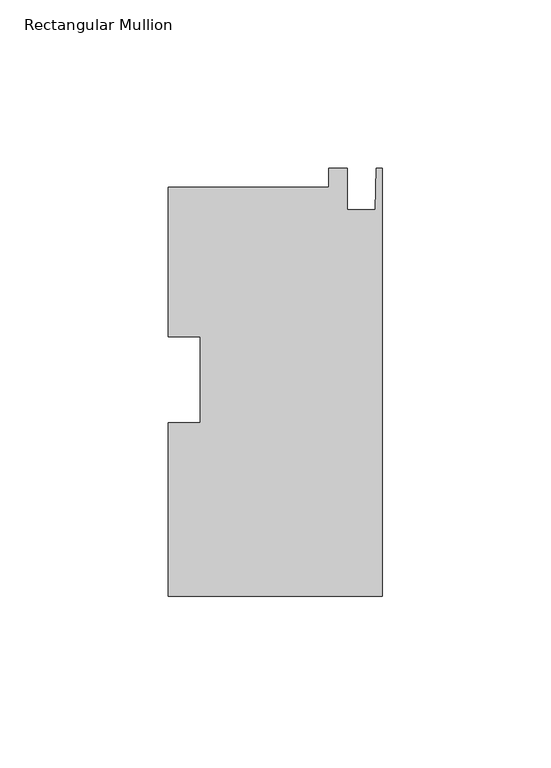
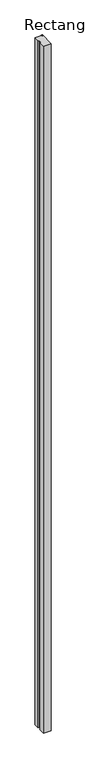
"""IFC4 building model written with IfcOpenShell, lengths in millimetres: member geometry, Rectangular Mullion."""

import ifcopenshell
import ifcopenshell.guid

model = None  # the IFC model being written
_history = None  # IfcOwnerHistory: only IFC2X3 demands one
_inside = {}  # id of a spatial element -> (the spatial element, [elements in it])
_under = {}  # id of a project, library or spatial element -> (it, [spatial elements below it])
_declared = {}  # id of a project -> (the project, [libraries it declares])
_typed = {}  # id of a type object -> (the type object, [elements of that type])
_made_of = {}  # id of a material, layer set ... -> (it, [elements and type objects made of it])


def new_model(schema):
    """Start an empty IFC model of exactly this schema.

    Asked for "IFC4X3", IfcOpenShell would pick the latest addendum, in which some entities
    have other attributes; the version numbers below select the first issue.
    IFC2X3 requires an IfcOwnerHistory on every rooted entity: one is made here for all.
    """
    global model, _history
    if schema == "IFC4X3":
        model = ifcopenshell.file(schema_version=(4, 3, 0, 0))
    else:
        model = ifcopenshell.file(schema=schema)
    _inside.clear()
    _under.clear()
    _declared.clear()
    _typed.clear()
    _made_of.clear()
    _history = None
    if model.schema == "IFC2X3":
        org = make("IfcOrganization", Name="unknown")
        user = make(
            "IfcPersonAndOrganization",
            ThePerson=make("IfcPerson", FamilyName="unknown"),
            TheOrganization=org,
        )
        app = make(
            "IfcApplication",
            ApplicationDeveloper=org,
            Version="unknown",
            ApplicationFullName="unknown",
            ApplicationIdentifier="unknown",
        )
        _history = make(
            "IfcOwnerHistory",
            OwningUser=user,
            OwningApplication=app,
            ChangeAction="ADDED",
            CreationDate=0,
        )
    return model


def make(cls, **values):
    """One entity of the class cls with the attributes given. An attribute that is None is left unset."""
    return model.create_entity(
        cls, **{name: value for name, value in values.items() if value is not None}
    )


def rooted(cls, **values):
    """An entity with a GlobalId (a new one), such as an element, a storey or a relation."""
    return make(cls, GlobalId=ifcopenshell.guid.new(), OwnerHistory=_history, **values)


def si_unit(unit_type, name, prefix=None):
    """IfcSIUnit, for example si_unit("LENGTHUNIT", "METRE", prefix="MILLI")."""
    return make("IfcSIUnit", UnitType=unit_type, Prefix=prefix, Name=name)


def assignment(units):
    """IfcUnitAssignment: the units of a project."""
    return None if units is None else make("IfcUnitAssignment", Units=units)


def point(xyz):
    """IfcCartesianPoint."""
    return None if xyz is None else make("IfcCartesianPoint", Coordinates=xyz)


def direction(xyz):
    """IfcDirection."""
    return None if xyz is None else make("IfcDirection", DirectionRatios=xyz)


def frame(location, z_axis=None, x_axis=None):
    """IfcAxis2Placement3D, a coordinate frame: its origin and axes. An axis left out is left unset."""
    return make(
        "IfcAxis2Placement3D",
        Location=point(location),
        Axis=direction(z_axis),
        RefDirection=direction(x_axis),
    )


def origin():
    """The frame at (0, 0, 0) with its axes left unset."""
    return frame((0.0, 0.0, 0.0))


def place(relative_to, where):
    """IfcLocalPlacement: puts the frame where relative to a parent placement (None: the world)."""
    return make(
        "IfcLocalPlacement", PlacementRelTo=relative_to, RelativePlacement=where
    )


def context(
    kind, dimensions, precision=None, world=None, true_north=None, identifier=None
):
    """IfcGeometricRepresentationContext, for example the 3D "Model" context."""
    return make(
        "IfcGeometricRepresentationContext",
        ContextIdentifier=identifier,
        ContextType=kind,
        CoordinateSpaceDimension=dimensions,
        Precision=precision,
        WorldCoordinateSystem=world,
        TrueNorth=true_north,
    )


def project(units=None, contexts=None):
    """IfcProject with its units and contexts."""
    return rooted(
        "IfcProject",
        Name="project",
        RepresentationContexts=contexts,
        UnitsInContext=assignment(units),
    )


def spatial(cls, under=None, at=None, **own):
    """A site, building, storey or space (cls), placed at a placement, below another one or the project."""
    s = rooted(cls, ObjectPlacement=at, **own)
    if under is not None:
        _under.setdefault(under.id(), (under, []))[1].append(s)
    return s


def polyline(points):
    """IfcPolyline through the points."""
    return make("IfcPolyline", Points=[point(p) for p in points])


def outline(outer, holes=None, kind="AREA"):
    """IfcArbitraryClosedProfileDef: a profile drawn as a closed curve; with holes, ...WithVoids."""
    if holes is None:
        return make("IfcArbitraryClosedProfileDef", ProfileType=kind, OuterCurve=outer)
    return make(
        "IfcArbitraryProfileDefWithVoids",
        ProfileType=kind,
        OuterCurve=outer,
        InnerCurves=holes,
    )


def extrude(swept, where, along, depth):
    """IfcExtrudedAreaSolid: the profile swept, set in the frame where, extruded along a direction by depth."""
    return make(
        "IfcExtrudedAreaSolid",
        SweptArea=swept,
        Position=where,
        ExtrudedDirection=direction(along),
        Depth=depth,
    )


def shape(context_of_items, identifier, shape_type, items):
    """IfcShapeRepresentation: the items that make up one representation, for example the "Body"."""
    return make(
        "IfcShapeRepresentation",
        ContextOfItems=context_of_items,
        RepresentationIdentifier=identifier,
        RepresentationType=shape_type,
        Items=items,
    )


def source(mapping_origin, context_of_items, identifier, shape_type, items):
    """IfcRepresentationMap: a shape defined once, which mapped items show again and again."""
    return make(
        "IfcRepresentationMap",
        MappingOrigin=mapping_origin,
        MappedRepresentation=shape(context_of_items, identifier, shape_type, items),
    )


def transform(
    local_origin,
    x_axis=None,
    y_axis=None,
    z_axis=None,
    scale=None,
    scale2=None,
    scale3=None,
    uniform=True,
):
    """IfcCartesianTransformationOperator3D, or its non-uniform kind. x_axis, y_axis, z_axis: its Axis1, 2, 3."""
    if uniform:
        return make(
            "IfcCartesianTransformationOperator3D",
            Axis1=direction(x_axis),
            Axis2=direction(y_axis),
            LocalOrigin=point(local_origin),
            Scale=scale,
            Axis3=direction(z_axis),
        )
    return make(
        "IfcCartesianTransformationOperator3DnonUniform",
        Axis1=direction(x_axis),
        Axis2=direction(y_axis),
        LocalOrigin=point(local_origin),
        Scale=scale,
        Axis3=direction(z_axis),
        Scale2=scale2,
        Scale3=scale3,
    )


def mapped(mapping_source, mapping_target):
    """IfcMappedItem: shows the shape of a source again, moved by a transform."""
    return make(
        "IfcMappedItem", MappingSource=mapping_source, MappingTarget=mapping_target
    )


def made_of(thing, what):
    """Note that an element or type object is made of a material, layer set ...; save() writes the relation."""
    if what is not None:
        _made_of.setdefault(what.id(), (what, []))[1].append(thing)
    return thing


def element(
    cls,
    number,
    at=None,
    inside=None,
    cuts=None,
    type_object=None,
    material=None,
    context=None,
    identifier="Body",
    shape_type=None,
    held_by="IfcProductDefinitionShape",
    body=None,
    shapes=None,
    **own,
):
    """One element of the class cls, such as IfcWall. Its Tag is "e" and its number.

    at: its placement. inside: the storey or other place that contains it. cuts: it is an
    opening in that element (IfcRelVoidsElement). A single representation is given by context,
    identifier, shape_type and body (its items); several are given by shapes. held_by: the class
    of the entity that holds the representations. save() writes the other relations.
    """
    e = rooted(cls, Tag="e%d" % number, ObjectPlacement=at, **own)
    if body is not None:
        shapes = [shape(context, identifier, shape_type, body)]
    if shapes is not None:
        e.Representation = make(held_by, Representations=shapes)
    if inside is not None:
        _inside.setdefault(inside.id(), (inside, []))[1].append(e)
    if cuts is not None:
        rooted(
            "IfcRelVoidsElement", RelatingBuildingElement=cuts, RelatedOpeningElement=e
        )
    if type_object is not None:
        _typed.setdefault(type_object.id(), (type_object, []))[1].append(e)
    return made_of(e, material)


def aggregate(whole, parts):
    """IfcRelAggregates: a whole, such as a stair, and the parts it consists of."""
    return rooted("IfcRelAggregates", RelatingObject=whole, RelatedObjects=parts)


def save(model, path):
    """Write the relations noted so far, then the file.

    IfcRelAggregates (storeys below a building ...), IfcRelContainedInSpatialStructure (elements
    in a storey), IfcRelDefinesByType, IfcRelAssociatesMaterial and IfcRelDeclares: one each for
    every whole, place, type object, material and project.
    """
    for whole, parts in _under.values():
        aggregate(whole, parts)
    for where, things in _inside.values():
        rooted(
            "IfcRelContainedInSpatialStructure",
            RelatedElements=things,
            RelatingStructure=where,
        )
    for kind, things in _typed.values():
        rooted("IfcRelDefinesByType", RelatedObjects=things, RelatingType=kind)
    for what, things in _made_of.values():
        rooted("IfcRelAssociatesMaterial", RelatedObjects=things, RelatingMaterial=what)
    for by, libraries in _declared.values():
        rooted("IfcRelDeclares", RelatingContext=by, RelatedDefinitions=libraries)
    model.write(path)


def rectangular_mullion_c5bd5906(model_context):
    return source(origin(), model_context, "Body", "SweptSolid", [
        extrude(outline(polyline([(0.0, -64.343093), (-63.5, -64.343093), (-63.5, -12.8106322), (-53.975, -12.8106322), (-53.975, 12.6770662), (-63.5, 12.6770662), (-63.5, 57.094307), (-15.8694428, 57.094307), (-15.8694428, 62.656907), (-10.3124, 62.656907), (-10.3124, 50.312507), (-2.032, 50.312507), (-1.778, 62.656907), (0.0, 62.656907), (0.0, -64.343093)])), frame((0.0, 0.0, -6032.5), z_axis=(0.0, 0.0, 1.0), x_axis=(1.0, 0.0, 0.0)), (0.0, 0.0, 1.0), 6032.5),
    ])


if __name__ == "__main__":
    model = new_model("IFC4")
    model_context = context("Model", 3, world=origin())
    ifc_project = project(units=[si_unit("LENGTHUNIT", "METRE", prefix="MILLI")], contexts=[model_context])
    site = spatial("IfcSite", under=ifc_project)
    building = spatial("IfcBuilding", under=site)
    placement = place(None, origin())
    rectangular_mullion_shape = rectangular_mullion_c5bd5906(model_context)
    element("IfcMember", 1, ObjectType="Rectangular Mullion", at=placement, inside=building, context=model_context, shape_type="MappedRepresentation", body=[
        mapped(rectangular_mullion_shape, transform((0.0, 0.0, 0.0), x_axis=(1.0, 0.0, 0.0), y_axis=(0.0, 1.0, 0.0), z_axis=(0.0, 0.0, 1.0))),
    ])
    save(model, "model.ifc")
